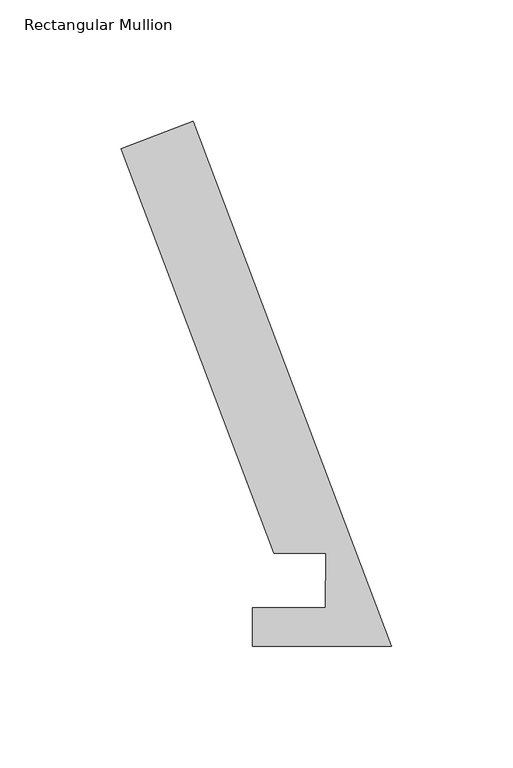
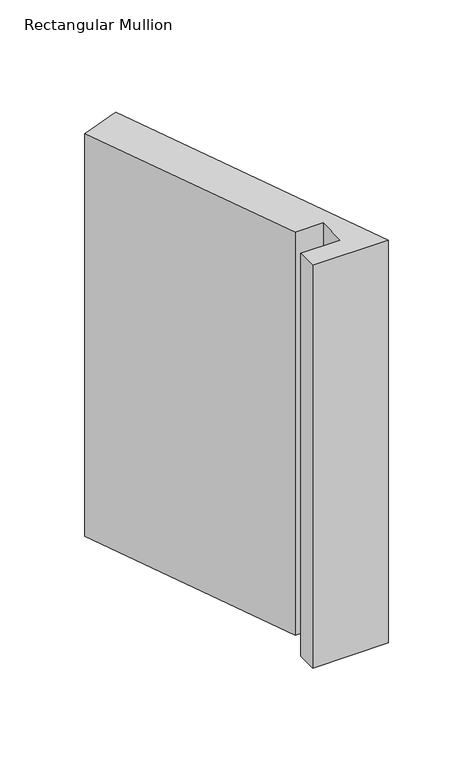
"""IFC4 building model written with IfcOpenShell, lengths in millimetres: member geometry, Rectangular Mullion."""

from ifc_helpers import new_model, si_unit, frame, origin, place, context, project, spatial, polyline, outline, extrude, source, transform, mapped, element, save


def rectangular_mullion_ac1b33eb(model_context):
    return source(origin(), model_context, "Body", "SweptSolid", [
        extrude(outline(polyline([(0.0, 0.0380112), (-57.2922169, 0.0380112), (-57.2922169, 15.9130112), (-27.171167, 15.9130112), (-27.1188377, 38.4070265), (-48.4318773, 38.386739), (-111.4308257, 205.1086181), (-81.7304777, 216.3314444), (0.0, 0.0380112)])), frame((0.0, 0.0, -322.3094946), z_axis=(0.0, 0.0, 1.0), x_axis=(1.0, 0.0, 0.0)), (0.0, 0.0, 1.0), 322.3094946),
    ])


if __name__ == "__main__":
    model = new_model("IFC4")
    model_context = context("Model", 3, world=origin())
    ifc_project = project(units=[si_unit("LENGTHUNIT", "METRE", prefix="MILLI")], contexts=[model_context])
    site = spatial("IfcSite", under=ifc_project)
    building = spatial("IfcBuilding", under=site)
    placement = place(None, origin())
    rectangular_mullion_shape = rectangular_mullion_ac1b33eb(model_context)
    element("IfcMember", 1, ObjectType="Rectangular Mullion", at=placement, inside=building, context=model_context, shape_type="MappedRepresentation", body=[
        mapped(rectangular_mullion_shape, transform((0.0, 0.0, 0.0), x_axis=(1.0, 0.0, 0.0), y_axis=(0.0, 1.0, 0.0), z_axis=(0.0, 0.0, 1.0))),
    ])
    save(model, "model.ifc")
